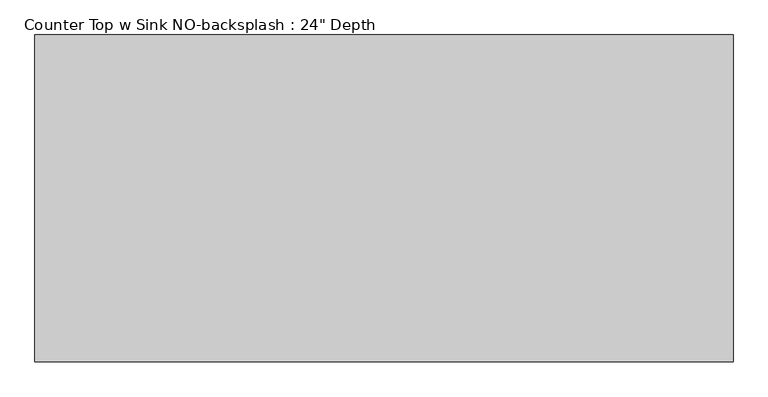
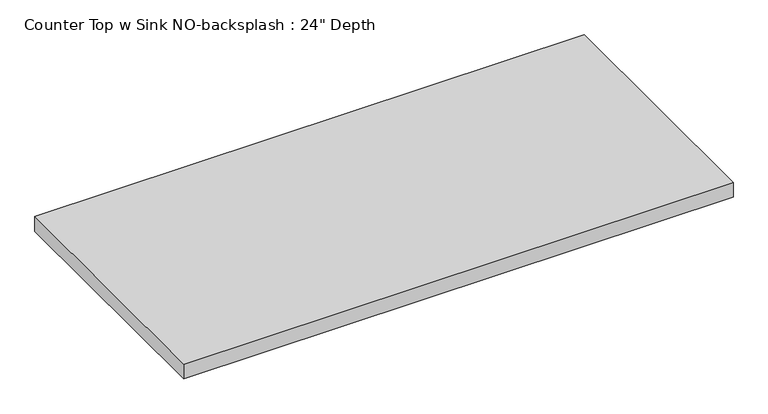
"""IFC4 building model written with IfcOpenShell, lengths in millimetres: furniture geometry."""

from ifc_helpers import new_model, si_unit, frame, origin, place, context, project, spatial, polyline, outline, extrude, source, transform, mapped, element, save


def furniture_d11e1719(model_context):
    return source(origin(), model_context, "Body", "SweptSolid", [
        extrude(outline(polyline([(155.4449043, 0.0), (155.4449043, -635.0), (-1200.4622951, -635.0), (-1200.4622951, 0.0), (155.4449043, 0.0)])), frame((0.0, 0.0, 876.3), z_axis=(0.0, 0.0, 1.0), x_axis=(1.0, 0.0, 0.0)), (0.0, 0.0, 1.0), 38.1),
    ])


if __name__ == "__main__":
    model = new_model("IFC4")
    model_context = context("Model", 3, world=origin())
    ifc_project = project(units=[si_unit("LENGTHUNIT", "METRE", prefix="MILLI")], contexts=[model_context])
    site = spatial("IfcSite", under=ifc_project)
    building = spatial("IfcBuilding", under=site)
    placement = place(None, origin())
    furniture_shape = furniture_d11e1719(model_context)
    element("IfcFurniture", 1, ObjectType="Counter Top w Sink NO-backsplash : 24\" Depth", at=placement, inside=building, context=model_context, shape_type="MappedRepresentation", body=[
        mapped(furniture_shape, transform((0.0, 0.0, 0.0), x_axis=(1.0, 0.0, 0.0), y_axis=(0.0, 1.0, 0.0), z_axis=(0.0, 0.0, 1.0))),
    ])
    save(model, "model.ifc")
